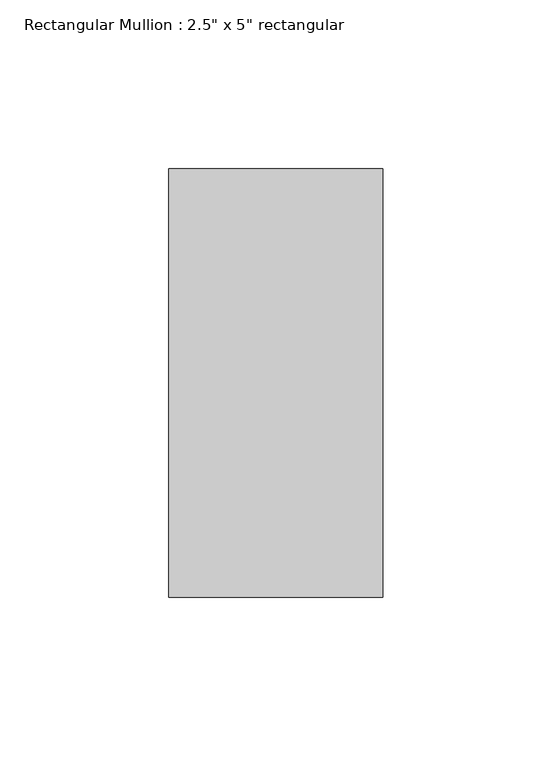
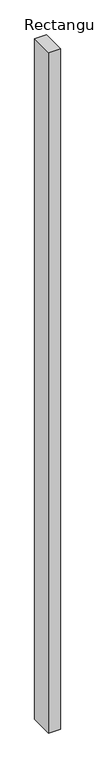
"""IFC4 building model written with IfcOpenShell, lengths in millimetres: member geometry."""

from ifc_helpers import new_model, si_unit, frame, origin, place, context, project, spatial, polyline, outline, extrude, source, transform, mapped, element, save


def member_14e752c3(model_context):
    return source(origin(), model_context, "Body", "SweptSolid", [
        extrude(outline(polyline([(0.0, 63.5), (0.0, -63.5), (-63.5, -63.5), (-63.5, 63.5), (0.0, 63.5)])), frame((0.0, 0.0, -3833.912924), z_axis=(0.0, 0.0, 1.0), x_axis=(1.0, 0.0, 0.0)), (0.0, 0.0, 1.0), 3833.912924),
    ])


if __name__ == "__main__":
    model = new_model("IFC4")
    model_context = context("Model", 3, world=origin())
    ifc_project = project(units=[si_unit("LENGTHUNIT", "METRE", prefix="MILLI")], contexts=[model_context])
    site = spatial("IfcSite", under=ifc_project)
    building = spatial("IfcBuilding", under=site)
    placement = place(None, origin())
    member_shape = member_14e752c3(model_context)
    element("IfcMember", 1, ObjectType="Rectangular Mullion : 2.5\" x 5\" rectangular", at=placement, inside=building, context=model_context, shape_type="MappedRepresentation", body=[
        mapped(member_shape, transform((0.0, 0.0, 0.0), x_axis=(1.0, 0.0, 0.0), y_axis=(0.0, 1.0, 0.0), z_axis=(0.0, 0.0, 1.0))),
    ])
    save(model, "model.ifc")
